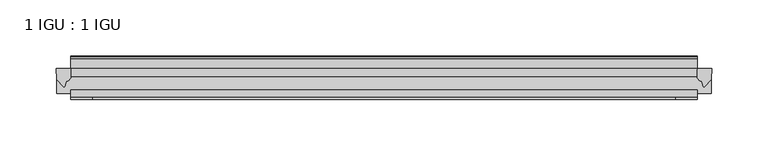
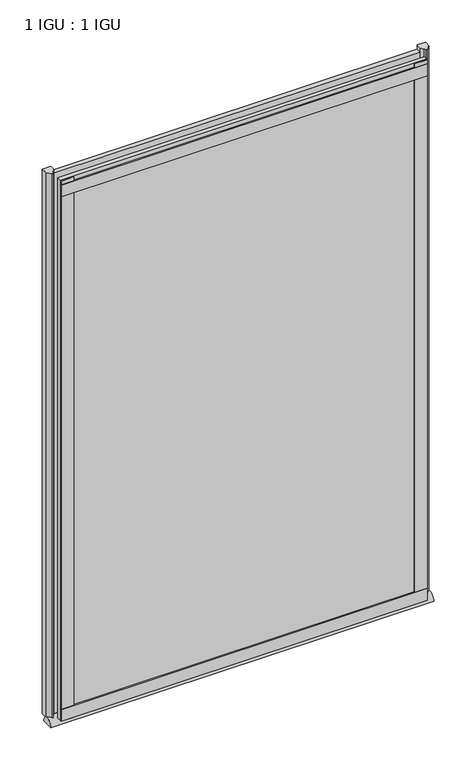
"""IFC4 building model written with IfcOpenShell, lengths in millimetres: plate geometry, 1 IGU : 1 IGU."""

import ifcopenshell
import ifcopenshell.guid

model = None  # the IFC model being written
_history = None  # IfcOwnerHistory: only IFC2X3 demands one
_inside = {}  # id of a spatial element -> (the spatial element, [elements in it])
_under = {}  # id of a project, library or spatial element -> (it, [spatial elements below it])
_declared = {}  # id of a project -> (the project, [libraries it declares])
_typed = {}  # id of a type object -> (the type object, [elements of that type])
_made_of = {}  # id of a material, layer set ... -> (it, [elements and type objects made of it])


def new_model(schema):
    """Start an empty IFC model of exactly this schema.

    Asked for "IFC4X3", IfcOpenShell would pick the latest addendum, in which some entities
    have other attributes; the version numbers below select the first issue.
    IFC2X3 requires an IfcOwnerHistory on every rooted entity: one is made here for all.
    """
    global model, _history
    if schema == "IFC4X3":
        model = ifcopenshell.file(schema_version=(4, 3, 0, 0))
    else:
        model = ifcopenshell.file(schema=schema)
    _inside.clear()
    _under.clear()
    _declared.clear()
    _typed.clear()
    _made_of.clear()
    _history = None
    if model.schema == "IFC2X3":
        org = make("IfcOrganization", Name="unknown")
        user = make(
            "IfcPersonAndOrganization",
            ThePerson=make("IfcPerson", FamilyName="unknown"),
            TheOrganization=org,
        )
        app = make(
            "IfcApplication",
            ApplicationDeveloper=org,
            Version="unknown",
            ApplicationFullName="unknown",
            ApplicationIdentifier="unknown",
        )
        _history = make(
            "IfcOwnerHistory",
            OwningUser=user,
            OwningApplication=app,
            ChangeAction="ADDED",
            CreationDate=0,
        )
    return model


def make(cls, **values):
    """One entity of the class cls with the attributes given. An attribute that is None is left unset."""
    return model.create_entity(
        cls, **{name: value for name, value in values.items() if value is not None}
    )


def rooted(cls, **values):
    """An entity with a GlobalId (a new one), such as an element, a storey or a relation."""
    return make(cls, GlobalId=ifcopenshell.guid.new(), OwnerHistory=_history, **values)


def si_unit(unit_type, name, prefix=None):
    """IfcSIUnit, for example si_unit("LENGTHUNIT", "METRE", prefix="MILLI")."""
    return make("IfcSIUnit", UnitType=unit_type, Prefix=prefix, Name=name)


def assignment(units):
    """IfcUnitAssignment: the units of a project."""
    return None if units is None else make("IfcUnitAssignment", Units=units)


def point(xyz):
    """IfcCartesianPoint."""
    return None if xyz is None else make("IfcCartesianPoint", Coordinates=xyz)


def direction(xyz):
    """IfcDirection."""
    return None if xyz is None else make("IfcDirection", DirectionRatios=xyz)


def frame(location, z_axis=None, x_axis=None):
    """IfcAxis2Placement3D, a coordinate frame: its origin and axes. An axis left out is left unset."""
    return make(
        "IfcAxis2Placement3D",
        Location=point(location),
        Axis=direction(z_axis),
        RefDirection=direction(x_axis),
    )


def frame_2d(location, x_axis=None):
    """IfcAxis2Placement2D, a coordinate frame in the plane: its origin and x axis."""
    return make(
        "IfcAxis2Placement2D", Location=point(location), RefDirection=direction(x_axis)
    )


def origin():
    """The frame at (0, 0, 0) with its axes left unset."""
    return frame((0.0, 0.0, 0.0))


def place(relative_to, where):
    """IfcLocalPlacement: puts the frame where relative to a parent placement (None: the world)."""
    return make(
        "IfcLocalPlacement", PlacementRelTo=relative_to, RelativePlacement=where
    )


def context(
    kind, dimensions, precision=None, world=None, true_north=None, identifier=None
):
    """IfcGeometricRepresentationContext, for example the 3D "Model" context."""
    return make(
        "IfcGeometricRepresentationContext",
        ContextIdentifier=identifier,
        ContextType=kind,
        CoordinateSpaceDimension=dimensions,
        Precision=precision,
        WorldCoordinateSystem=world,
        TrueNorth=true_north,
    )


def project(units=None, contexts=None):
    """IfcProject with its units and contexts."""
    return rooted(
        "IfcProject",
        Name="project",
        RepresentationContexts=contexts,
        UnitsInContext=assignment(units),
    )


def spatial(cls, under=None, at=None, **own):
    """A site, building, storey or space (cls), placed at a placement, below another one or the project."""
    s = rooted(cls, ObjectPlacement=at, **own)
    if under is not None:
        _under.setdefault(under.id(), (under, []))[1].append(s)
    return s


def polyline(points):
    """IfcPolyline through the points."""
    return make("IfcPolyline", Points=[point(p) for p in points])


def circle_curve(where, radius):
    """IfcCircle in the frame where."""
    return make("IfcCircle", Position=where, Radius=radius)


def ellipse_curve(where, semi_axis1, semi_axis2):
    """IfcEllipse in the frame where."""
    return make(
        "IfcEllipse", Position=where, SemiAxis1=semi_axis1, SemiAxis2=semi_axis2
    )


def trimmed(basis, trim1, trim2, sense, master):
    """IfcTrimmedCurve: the piece of a basis curve between two trims."""
    return make(
        "IfcTrimmedCurve",
        BasisCurve=basis,
        Trim1=trim1,
        Trim2=trim2,
        SenseAgreement=sense,
        MasterRepresentation=master,
    )


def segment(curve, same_sense, transition):
    """IfcCompositeCurveSegment."""
    return make(
        "IfcCompositeCurveSegment",
        Transition=transition,
        SameSense=same_sense,
        ParentCurve=curve,
    )


def composite_curve(segments, self_intersect=None):
    """IfcCompositeCurve: segments joined end to end."""
    return make("IfcCompositeCurve", Segments=segments, SelfIntersect=self_intersect)


def outline(outer, holes=None, kind="AREA"):
    """IfcArbitraryClosedProfileDef: a profile drawn as a closed curve; with holes, ...WithVoids."""
    if holes is None:
        return make("IfcArbitraryClosedProfileDef", ProfileType=kind, OuterCurve=outer)
    return make(
        "IfcArbitraryProfileDefWithVoids",
        ProfileType=kind,
        OuterCurve=outer,
        InnerCurves=holes,
    )


def extrude(swept, where, along, depth):
    """IfcExtrudedAreaSolid: the profile swept, set in the frame where, extruded along a direction by depth."""
    return make(
        "IfcExtrudedAreaSolid",
        SweptArea=swept,
        Position=where,
        ExtrudedDirection=direction(along),
        Depth=depth,
    )


def shape(context_of_items, identifier, shape_type, items):
    """IfcShapeRepresentation: the items that make up one representation, for example the "Body"."""
    return make(
        "IfcShapeRepresentation",
        ContextOfItems=context_of_items,
        RepresentationIdentifier=identifier,
        RepresentationType=shape_type,
        Items=items,
    )


def source(mapping_origin, context_of_items, identifier, shape_type, items):
    """IfcRepresentationMap: a shape defined once, which mapped items show again and again."""
    return make(
        "IfcRepresentationMap",
        MappingOrigin=mapping_origin,
        MappedRepresentation=shape(context_of_items, identifier, shape_type, items),
    )


def transform(
    local_origin,
    x_axis=None,
    y_axis=None,
    z_axis=None,
    scale=None,
    scale2=None,
    scale3=None,
    uniform=True,
):
    """IfcCartesianTransformationOperator3D, or its non-uniform kind. x_axis, y_axis, z_axis: its Axis1, 2, 3."""
    if uniform:
        return make(
            "IfcCartesianTransformationOperator3D",
            Axis1=direction(x_axis),
            Axis2=direction(y_axis),
            LocalOrigin=point(local_origin),
            Scale=scale,
            Axis3=direction(z_axis),
        )
    return make(
        "IfcCartesianTransformationOperator3DnonUniform",
        Axis1=direction(x_axis),
        Axis2=direction(y_axis),
        LocalOrigin=point(local_origin),
        Scale=scale,
        Axis3=direction(z_axis),
        Scale2=scale2,
        Scale3=scale3,
    )


def mapped(mapping_source, mapping_target):
    """IfcMappedItem: shows the shape of a source again, moved by a transform."""
    return make(
        "IfcMappedItem", MappingSource=mapping_source, MappingTarget=mapping_target
    )


def made_of(thing, what):
    """Note that an element or type object is made of a material, layer set ...; save() writes the relation."""
    if what is not None:
        _made_of.setdefault(what.id(), (what, []))[1].append(thing)
    return thing


def element(
    cls,
    number,
    at=None,
    inside=None,
    cuts=None,
    type_object=None,
    material=None,
    context=None,
    identifier="Body",
    shape_type=None,
    held_by="IfcProductDefinitionShape",
    body=None,
    shapes=None,
    **own,
):
    """One element of the class cls, such as IfcWall. Its Tag is "e" and its number.

    at: its placement. inside: the storey or other place that contains it. cuts: it is an
    opening in that element (IfcRelVoidsElement). A single representation is given by context,
    identifier, shape_type and body (its items); several are given by shapes. held_by: the class
    of the entity that holds the representations. save() writes the other relations.
    """
    e = rooted(cls, Tag="e%d" % number, ObjectPlacement=at, **own)
    if body is not None:
        shapes = [shape(context, identifier, shape_type, body)]
    if shapes is not None:
        e.Representation = make(held_by, Representations=shapes)
    if inside is not None:
        _inside.setdefault(inside.id(), (inside, []))[1].append(e)
    if cuts is not None:
        rooted(
            "IfcRelVoidsElement", RelatingBuildingElement=cuts, RelatedOpeningElement=e
        )
    if type_object is not None:
        _typed.setdefault(type_object.id(), (type_object, []))[1].append(e)
    return made_of(e, material)


def aggregate(whole, parts):
    """IfcRelAggregates: a whole, such as a stair, and the parts it consists of."""
    return rooted("IfcRelAggregates", RelatingObject=whole, RelatedObjects=parts)


def save(model, path):
    """Write the relations noted so far, then the file.

    IfcRelAggregates (storeys below a building ...), IfcRelContainedInSpatialStructure (elements
    in a storey), IfcRelDefinesByType, IfcRelAssociatesMaterial and IfcRelDeclares: one each for
    every whole, place, type object, material and project.
    """
    for whole, parts in _under.values():
        aggregate(whole, parts)
    for where, things in _inside.values():
        rooted(
            "IfcRelContainedInSpatialStructure",
            RelatedElements=things,
            RelatingStructure=where,
        )
    for kind, things in _typed.values():
        rooted("IfcRelDefinesByType", RelatedObjects=things, RelatingType=kind)
    for what, things in _made_of.values():
        rooted("IfcRelAssociatesMaterial", RelatedObjects=things, RelatingMaterial=what)
    for by, libraries in _declared.values():
        rooted("IfcRelDeclares", RelatingContext=by, RelatedDefinitions=libraries)
    model.write(path)


def plane_surface(at):
    """IfcPlane: the flat surface through the origin of the frame at, square to its z axis."""
    return make("IfcPlane", Position=at)


def extruded_surface(curve, direction_of_extrusion, depth):
    """IfcSurfaceOfLinearExtrusion: the curve pushed along a direction by depth."""
    return make(
        "IfcSurfaceOfLinearExtrusion",
        SweptCurve=make("IfcArbitraryOpenProfileDef", ProfileType="CURVE", Curve=curve),
        ExtrudedDirection=direction(direction_of_extrusion),
        Depth=depth,
    )


def advanced_brep(points, edges, surfaces, faces):
    """IfcAdvancedBrep: a solid bounded by faces that lie on surfaces and meet in shared edges.

    An edge is (start, end): straight between two places in points (the first is 0);
    or (start, end, curve); or (start, end, curve, False) where it runs against its curve.
    A face is (place in surfaces, loops), or (place, loops, False) where it looks against
    its surface's normal. A loop lists edges by number (the first is 1), with a minus sign
    where the edge is run from its end to its start. The first loop is the outer one.
    """
    corners = [point(p) for p in points]
    vertices = [make("IfcVertexPoint", VertexGeometry=c) for c in corners]
    made = []
    for start, end, *more in edges:
        made.append(
            make(
                "IfcEdgeCurve",
                EdgeStart=vertices[start],
                EdgeEnd=vertices[end],
                EdgeGeometry=more[0] if more else make("IfcPolyline", Points=[corners[start], corners[end]]),
                SameSense=more[1] if len(more) > 1 else True,
            )
        )
    hull = []
    for where, loops, *sense in faces:
        bounds = []
        for j, loop in enumerate(loops):
            ring = [make("IfcOrientedEdge", EdgeElement=made[abs(k) - 1], Orientation=k > 0) for k in loop]
            bounds.append(
                make(
                    "IfcFaceOuterBound" if j == 0 else "IfcFaceBound",
                    Bound=make("IfcEdgeLoop", EdgeList=ring),
                    Orientation=True,
                )
            )
        hull.append(make("IfcAdvancedFace", Bounds=bounds, FaceSurface=surfaces[where], SameSense=sense[0] if sense else True))
    return make("IfcAdvancedBrep", Outer=make("IfcClosedShell", CfsFaces=hull))


def plate_1_igu_1_igu_9bbe9ddc(model_context):
    return source(origin(), model_context, "Body", "SolidModel", [
        extrude(outline(polyline([(278.8939471, -11.6085937), (278.8939471, -18.8576359), (-278.8939471, -18.8576359), (-278.8939471, -11.6085937), (278.8939471, -11.6085937)])), frame((0.0, 0.0, -19.05), z_axis=(0.0, 0.0, 1.0), x_axis=(1.0, 0.0, 0.0)), (0.0, 0.0, 1.0), 869.9409101),
        extrude(outline(polyline([(-278.8939471, -30.7093937), (278.8939471, -30.7093937), (278.8939471, -37.0085937), (-278.8939471, -37.0085937), (-278.8939471, -30.7093937)])), frame((0.0, 0.0, -19.05), z_axis=(0.0, 0.0, 1.0), x_axis=(1.0, 0.0, 0.0)), (0.0, 0.0, 1.0), 869.9409101),
        advanced_brep(
        [(291.5939471, -33.6472189, -28.575), (291.5939471, -14.9699686, -28.575), (-291.5939471, -33.6472189, -28.575), (-291.5939471, -14.9699686, -28.575)],
        [
            (0, 1),
            (1, 0, ellipse_curve(frame((291.5939471, -24.3085937, -28.575), z_axis=(1.0, 0.0, 0.0), x_axis=(0.0, 0.0, 1.0)), 10.6973372, 9.3386252)),
            (2, 3, ellipse_curve(frame((-291.5939471, -24.3085937, -28.575), z_axis=(-1.0, 0.0, 0.0), x_axis=(0.0, 0.0, 1.0)), 10.6973372, 9.3386252)),
            (3, 2),
            (0, 2),
            (3, 1),
        ],
        [
            plane_surface(frame((291.5939471, -9.2273438, -28.575), z_axis=(1.0, 0.0, 0.0), x_axis=(0.0, 1.0, 0.0))),
            plane_surface(frame((-291.5939471, -9.2273437, -28.575), z_axis=(-1.0, 0.0, 0.0), x_axis=(0.0, 1.0, 0.0))),
            plane_surface(frame((291.5939471, -33.6472189, -28.575), z_axis=(0.0, 0.0, -1.0), x_axis=(-1.0, 0.0, 0.0))),
            extruded_surface(trimmed(ellipse_curve(frame((-291.5939471, -24.3085937, -28.575), z_axis=(1.0, 0.0, 0.0), x_axis=(0.0, 0.0, 1.0)), 10.6973372, 9.3386252), [point((-291.5939471, -14.9699686, -28.575))], [point((-291.5939471, -33.6472189, -28.575))], True, "CARTESIAN"), (583.1878942, 0.0, 0.0), 583.1878942),
        ],
        [
            (0, [[1, 2]]),
            (1, [[3, 4]]),
            (2, [[-1, 5, -4, 6]]),
            (3, [[-2, -6, -3, -5]]),
        ],
    ),
        extrude(outline(composite_curve([segment(polyline([(291.9718562, -11.6101465), (291.5939471, -21.3502133), (285.6558938, -27.6095865)]), True, "CONTINUOUS"), segment(trimmed(circle_curve(frame_2d((284.9830877, -27.2518492)), 0.762), [point((285.6558938, -27.6095865))], [point((284.2543835, -27.4746364))], False, "CARTESIAN"), True, "CONTINUOUS"), segment(polyline([(284.2543835, -27.4746364), (282.992549, -23.3488397)]), True, "CONTINUOUS"), segment(trimmed(circle_curve(frame_2d((285.1745061, -16.3834724)), 7.2991286), [point((282.992549, -23.3488397))], [point((278.8941257, -20.1028944))], False, "CARTESIAN"), True, "CONTINUOUS"), segment(polyline([(278.8941257, -20.1028944), (278.8941257, -12.664425)]), True, "CONTINUOUS"), segment(trimmed(circle_curve(frame_2d((285.1753802, -16.3827796)), 7.2993369), [point((278.8941257, -12.664425))], [point((279.6524921, -11.6101465))], False, "CARTESIAN"), True, "CONTINUOUS"), segment(polyline([(279.6524921, -11.6101465), (291.9718562, -11.6101465)]), True, "CONTINUOUS")], self_intersect=False)), frame((0.0, 0.0, -19.05), z_axis=(0.0, 0.0, 1.0), x_axis=(1.0, 0.0, 0.0)), (0.0, 0.0, 1.0), 877.0783101),
        extrude(outline(composite_curve([segment(polyline([(-278.8939471, -11.610702), (-278.8939471, -20.1014769)]), True, "CONTINUOUS"), segment(trimmed(circle_curve(frame_2d((-285.1751414, -16.3829847)), 7.2993552), [point((-278.8939471, -20.1014769))], [point((-282.9928968, -23.3484994))], False, "CARTESIAN"), True, "CONTINUOUS"), segment(polyline([(-282.9928968, -23.3484994), (-284.2543835, -27.4746364)]), True, "CONTINUOUS"), segment(trimmed(circle_curve(frame_2d((-284.9830877, -27.2518492)), 0.762), [point((-284.2543835, -27.4746364))], [point((-285.6558938, -27.6095865))], False, "CARTESIAN"), True, "CONTINUOUS"), segment(polyline([(-285.6558938, -27.6095865), (-291.5939471, -21.3502133), (-291.9718562, -11.610702), (-278.8939471, -11.610702)]), True, "CONTINUOUS")], self_intersect=False)), frame((0.0, 0.0, -19.05), z_axis=(0.0, 0.0, 1.0), x_axis=(1.0, 0.0, 0.0)), (0.0, 0.0, 1.0), 877.0783101),
        extrude(outline(polyline([(-278.8939471, -39.2945937), (-278.8939471, -37.0085937), (278.8939471, -37.0085937), (278.8939471, -39.2945937), (-278.8939471, -39.2945937)])), frame((0.0, 0.0, -19.05), z_axis=(0.0, 0.0, 1.0), x_axis=(1.0, 0.0, 0.0)), (0.0, 0.0, 1.0), 19.05),
        extrude(outline(composite_curve([segment(polyline([(-3.0995937, 840.8103314), (-3.0995937, 838.7783314), (-5.2585937, 838.7783314), (-5.2585937, 833.4443314), (-1.5755937, 833.4443314), (-1.5755937, 830.3963314), (-5.2585937, 830.3963314), (-5.2585937, 825.5703314), (-0.5298657, 826.2349108), (-0.4061408, 825.3545625)]), True, "CONTINUOUS"), segment(trimmed(circle_curve(frame_2d((-1.4122531, 825.2131626)), 1.016), [point((-0.4061408, 825.3545625))], [point((-1.2708533, 824.2070502))], False, "CARTESIAN"), True, "CONTINUOUS"), segment(polyline([(-1.2708533, 824.2070502), (-11.6085937, 822.7541756), (-11.6085937, 840.8103314), (-3.0995937, 840.8103314)]), True, "CONTINUOUS")], self_intersect=False)), frame((-278.8939471, 0.0, 0.0), z_axis=(1.0, 0.0, 0.0), x_axis=(0.0, 1.0, 0.0)), (0.0, 0.0, 1.0), 557.7878941),
        extrude(outline(polyline([(-278.8939471, -39.2945937), (-278.8939471, -37.0085937), (278.8939471, -37.0085937), (278.8939471, -39.2945937), (-278.8939471, -39.2945937)])), frame((0.0, 0.0, 825.4909101), z_axis=(0.0, 0.0, 1.0), x_axis=(1.0, 0.0, 0.0)), (0.0, 0.0, 1.0), 19.05),
        extrude(outline(polyline([(259.8439471, -37.0085937), (278.8939471, -37.0085937), (278.8939471, -39.2945938), (259.8439471, -39.2945938), (259.8439471, -37.0085937)])), frame((0.0, 0.0, -19.05), z_axis=(0.0, 0.0, 1.0), x_axis=(1.0, 0.0, 0.0)), (0.0, 0.0, 1.0), 869.9409101),
        extrude(outline(polyline([(-278.8939471, -39.2945937), (-278.8939471, -37.0085937), (-259.8439471, -37.0085937), (-259.8439471, -39.2945937), (-278.8939471, -39.2945937)])), frame((0.0, 0.0, -19.05), z_axis=(0.0, 0.0, 1.0), x_axis=(1.0, 0.0, 0.0)), (0.0, 0.0, 1.0), 869.9409101),
    ])


if __name__ == "__main__":
    model = new_model("IFC4")
    model_context = context("Model", 3, world=origin())
    ifc_project = project(units=[si_unit("LENGTHUNIT", "METRE", prefix="MILLI")], contexts=[model_context])
    site = spatial("IfcSite", under=ifc_project)
    building = spatial("IfcBuilding", under=site)
    placement = place(None, origin())
    plate_1_igu_1_igu_shape = plate_1_igu_1_igu_9bbe9ddc(model_context)
    element("IfcPlate", 1, ObjectType="1 IGU : 1 IGU", at=placement, inside=building, context=model_context, shape_type="MappedRepresentation", body=[
        mapped(plate_1_igu_1_igu_shape, transform((0.0, 0.0, 0.0), x_axis=(1.0, 0.0, 0.0), y_axis=(0.0, 1.0, 0.0), z_axis=(0.0, 0.0, 1.0))),
    ])
    save(model, "model.ifc")
